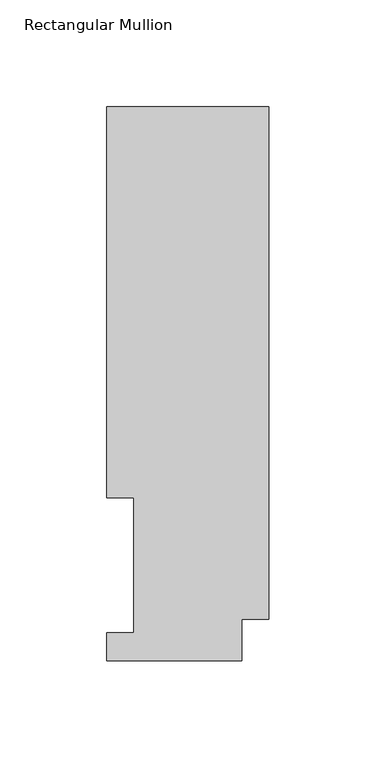
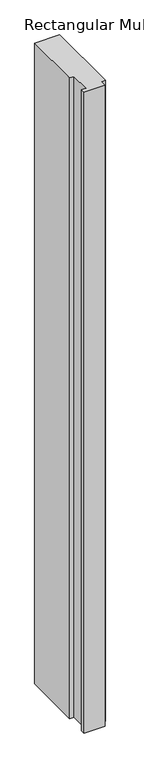
"""IFC4 building model written with IfcOpenShell, lengths in millimetres: member geometry, Rectangular Mullion."""

import ifcopenshell
import ifcopenshell.guid

model = None  # the IFC model being written
_history = None  # IfcOwnerHistory: only IFC2X3 demands one
_inside = {}  # id of a spatial element -> (the spatial element, [elements in it])
_under = {}  # id of a project, library or spatial element -> (it, [spatial elements below it])
_declared = {}  # id of a project -> (the project, [libraries it declares])
_typed = {}  # id of a type object -> (the type object, [elements of that type])
_made_of = {}  # id of a material, layer set ... -> (it, [elements and type objects made of it])


def new_model(schema):
    """Start an empty IFC model of exactly this schema.

    Asked for "IFC4X3", IfcOpenShell would pick the latest addendum, in which some entities
    have other attributes; the version numbers below select the first issue.
    IFC2X3 requires an IfcOwnerHistory on every rooted entity: one is made here for all.
    """
    global model, _history
    if schema == "IFC4X3":
        model = ifcopenshell.file(schema_version=(4, 3, 0, 0))
    else:
        model = ifcopenshell.file(schema=schema)
    _inside.clear()
    _under.clear()
    _declared.clear()
    _typed.clear()
    _made_of.clear()
    _history = None
    if model.schema == "IFC2X3":
        org = make("IfcOrganization", Name="unknown")
        user = make(
            "IfcPersonAndOrganization",
            ThePerson=make("IfcPerson", FamilyName="unknown"),
            TheOrganization=org,
        )
        app = make(
            "IfcApplication",
            ApplicationDeveloper=org,
            Version="unknown",
            ApplicationFullName="unknown",
            ApplicationIdentifier="unknown",
        )
        _history = make(
            "IfcOwnerHistory",
            OwningUser=user,
            OwningApplication=app,
            ChangeAction="ADDED",
            CreationDate=0,
        )
    return model


def make(cls, **values):
    """One entity of the class cls with the attributes given. An attribute that is None is left unset."""
    return model.create_entity(
        cls, **{name: value for name, value in values.items() if value is not None}
    )


def rooted(cls, **values):
    """An entity with a GlobalId (a new one), such as an element, a storey or a relation."""
    return make(cls, GlobalId=ifcopenshell.guid.new(), OwnerHistory=_history, **values)


def si_unit(unit_type, name, prefix=None):
    """IfcSIUnit, for example si_unit("LENGTHUNIT", "METRE", prefix="MILLI")."""
    return make("IfcSIUnit", UnitType=unit_type, Prefix=prefix, Name=name)


def assignment(units):
    """IfcUnitAssignment: the units of a project."""
    return None if units is None else make("IfcUnitAssignment", Units=units)


def point(xyz):
    """IfcCartesianPoint."""
    return None if xyz is None else make("IfcCartesianPoint", Coordinates=xyz)


def direction(xyz):
    """IfcDirection."""
    return None if xyz is None else make("IfcDirection", DirectionRatios=xyz)


def frame(location, z_axis=None, x_axis=None):
    """IfcAxis2Placement3D, a coordinate frame: its origin and axes. An axis left out is left unset."""
    return make(
        "IfcAxis2Placement3D",
        Location=point(location),
        Axis=direction(z_axis),
        RefDirection=direction(x_axis),
    )


def origin():
    """The frame at (0, 0, 0) with its axes left unset."""
    return frame((0.0, 0.0, 0.0))


def place(relative_to, where):
    """IfcLocalPlacement: puts the frame where relative to a parent placement (None: the world)."""
    return make(
        "IfcLocalPlacement", PlacementRelTo=relative_to, RelativePlacement=where
    )


def context(
    kind, dimensions, precision=None, world=None, true_north=None, identifier=None
):
    """IfcGeometricRepresentationContext, for example the 3D "Model" context."""
    return make(
        "IfcGeometricRepresentationContext",
        ContextIdentifier=identifier,
        ContextType=kind,
        CoordinateSpaceDimension=dimensions,
        Precision=precision,
        WorldCoordinateSystem=world,
        TrueNorth=true_north,
    )


def project(units=None, contexts=None):
    """IfcProject with its units and contexts."""
    return rooted(
        "IfcProject",
        Name="project",
        RepresentationContexts=contexts,
        UnitsInContext=assignment(units),
    )


def spatial(cls, under=None, at=None, **own):
    """A site, building, storey or space (cls), placed at a placement, below another one or the project."""
    s = rooted(cls, ObjectPlacement=at, **own)
    if under is not None:
        _under.setdefault(under.id(), (under, []))[1].append(s)
    return s


def polyline(points):
    """IfcPolyline through the points."""
    return make("IfcPolyline", Points=[point(p) for p in points])


def outline(outer, holes=None, kind="AREA"):
    """IfcArbitraryClosedProfileDef: a profile drawn as a closed curve; with holes, ...WithVoids."""
    if holes is None:
        return make("IfcArbitraryClosedProfileDef", ProfileType=kind, OuterCurve=outer)
    return make(
        "IfcArbitraryProfileDefWithVoids",
        ProfileType=kind,
        OuterCurve=outer,
        InnerCurves=holes,
    )


def extrude(swept, where, along, depth):
    """IfcExtrudedAreaSolid: the profile swept, set in the frame where, extruded along a direction by depth."""
    return make(
        "IfcExtrudedAreaSolid",
        SweptArea=swept,
        Position=where,
        ExtrudedDirection=direction(along),
        Depth=depth,
    )


def shape(context_of_items, identifier, shape_type, items):
    """IfcShapeRepresentation: the items that make up one representation, for example the "Body"."""
    return make(
        "IfcShapeRepresentation",
        ContextOfItems=context_of_items,
        RepresentationIdentifier=identifier,
        RepresentationType=shape_type,
        Items=items,
    )


def source(mapping_origin, context_of_items, identifier, shape_type, items):
    """IfcRepresentationMap: a shape defined once, which mapped items show again and again."""
    return make(
        "IfcRepresentationMap",
        MappingOrigin=mapping_origin,
        MappedRepresentation=shape(context_of_items, identifier, shape_type, items),
    )


def transform(
    local_origin,
    x_axis=None,
    y_axis=None,
    z_axis=None,
    scale=None,
    scale2=None,
    scale3=None,
    uniform=True,
):
    """IfcCartesianTransformationOperator3D, or its non-uniform kind. x_axis, y_axis, z_axis: its Axis1, 2, 3."""
    if uniform:
        return make(
            "IfcCartesianTransformationOperator3D",
            Axis1=direction(x_axis),
            Axis2=direction(y_axis),
            LocalOrigin=point(local_origin),
            Scale=scale,
            Axis3=direction(z_axis),
        )
    return make(
        "IfcCartesianTransformationOperator3DnonUniform",
        Axis1=direction(x_axis),
        Axis2=direction(y_axis),
        LocalOrigin=point(local_origin),
        Scale=scale,
        Axis3=direction(z_axis),
        Scale2=scale2,
        Scale3=scale3,
    )


def mapped(mapping_source, mapping_target):
    """IfcMappedItem: shows the shape of a source again, moved by a transform."""
    return make(
        "IfcMappedItem", MappingSource=mapping_source, MappingTarget=mapping_target
    )


def made_of(thing, what):
    """Note that an element or type object is made of a material, layer set ...; save() writes the relation."""
    if what is not None:
        _made_of.setdefault(what.id(), (what, []))[1].append(thing)
    return thing


def element(
    cls,
    number,
    at=None,
    inside=None,
    cuts=None,
    type_object=None,
    material=None,
    context=None,
    identifier="Body",
    shape_type=None,
    held_by="IfcProductDefinitionShape",
    body=None,
    shapes=None,
    **own,
):
    """One element of the class cls, such as IfcWall. Its Tag is "e" and its number.

    at: its placement. inside: the storey or other place that contains it. cuts: it is an
    opening in that element (IfcRelVoidsElement). A single representation is given by context,
    identifier, shape_type and body (its items); several are given by shapes. held_by: the class
    of the entity that holds the representations. save() writes the other relations.
    """
    e = rooted(cls, Tag="e%d" % number, ObjectPlacement=at, **own)
    if body is not None:
        shapes = [shape(context, identifier, shape_type, body)]
    if shapes is not None:
        e.Representation = make(held_by, Representations=shapes)
    if inside is not None:
        _inside.setdefault(inside.id(), (inside, []))[1].append(e)
    if cuts is not None:
        rooted(
            "IfcRelVoidsElement", RelatingBuildingElement=cuts, RelatedOpeningElement=e
        )
    if type_object is not None:
        _typed.setdefault(type_object.id(), (type_object, []))[1].append(e)
    return made_of(e, material)


def aggregate(whole, parts):
    """IfcRelAggregates: a whole, such as a stair, and the parts it consists of."""
    return rooted("IfcRelAggregates", RelatingObject=whole, RelatedObjects=parts)


def save(model, path):
    """Write the relations noted so far, then the file.

    IfcRelAggregates (storeys below a building ...), IfcRelContainedInSpatialStructure (elements
    in a storey), IfcRelDefinesByType, IfcRelAssociatesMaterial and IfcRelDeclares: one each for
    every whole, place, type object, material and project.
    """
    for whole, parts in _under.values():
        aggregate(whole, parts)
    for where, things in _inside.values():
        rooted(
            "IfcRelContainedInSpatialStructure",
            RelatedElements=things,
            RelatingStructure=where,
        )
    for kind, things in _typed.values():
        rooted("IfcRelDefinesByType", RelatedObjects=things, RelatingType=kind)
    for what, things in _made_of.values():
        rooted("IfcRelAssociatesMaterial", RelatedObjects=things, RelatingMaterial=what)
    for by, libraries in _declared.values():
        rooted("IfcRelDeclares", RelatingContext=by, RelatedDefinitions=libraries)
    model.write(path)


def rectangular_mullion_d931313c(model_context):
    return source(origin(), model_context, "Body", "SweptSolid", [
        extrude(outline(polyline([(-76.2, 259.9671074), (0.0, 259.9671074), (0.0, 19.5088257), (-12.7, 19.5088257), (-12.7, -0.0333811), (-76.2, -0.0333811), (-76.2, 13.1492189), (-63.5, 13.1492189), (-63.5, 76.2992188), (-76.2, 76.2992188), (-76.2, 259.9671074)])), frame((0.0, 0.0, -2057.4), z_axis=(0.0, 0.0, 1.0), x_axis=(1.0, 0.0, 0.0)), (0.0, 0.0, 1.0), 2057.4),
    ])


if __name__ == "__main__":
    model = new_model("IFC4")
    model_context = context("Model", 3, world=origin())
    ifc_project = project(units=[si_unit("LENGTHUNIT", "METRE", prefix="MILLI")], contexts=[model_context])
    site = spatial("IfcSite", under=ifc_project)
    building = spatial("IfcBuilding", under=site)
    placement = place(None, origin())
    rectangular_mullion_shape = rectangular_mullion_d931313c(model_context)
    element("IfcMember", 1, ObjectType="Rectangular Mullion", at=placement, inside=building, context=model_context, shape_type="MappedRepresentation", body=[
        mapped(rectangular_mullion_shape, transform((0.0, 0.0, 0.0), x_axis=(1.0, 0.0, 0.0), y_axis=(0.0, 1.0, 0.0), z_axis=(0.0, 0.0, 1.0))),
    ])
    save(model, "model.ifc")
